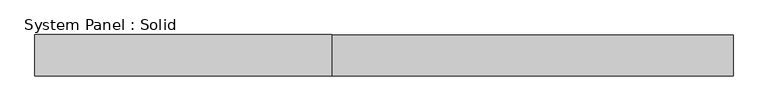
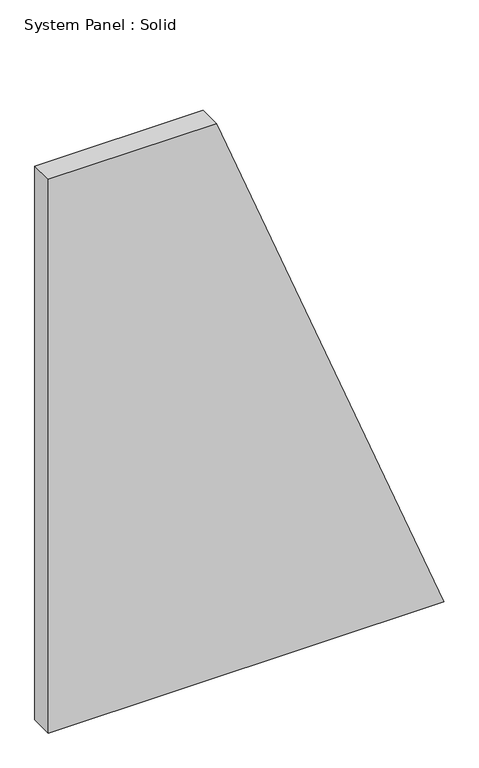
"""IFC4 building model written with IfcOpenShell, lengths in millimetres: plate geometry, System Panel : Solid."""

from ifc_helpers import new_model, si_unit, frame, origin, place, context, project, spatial, polyline, outline, extrude, source, transform, mapped, element, save


def system_panel_solid_fa413e90(model_context):
    return source(origin(), model_context, "Body", "SweptSolid", [
        extrude(outline(polyline([(0.0, -507.3356844), (0.0, 507.3356844), (1500.0, -76.2035422), (1500.0, -507.3356844), (0.0, -507.3356844)])), frame((0.0, -10.5, 0.0), z_axis=(0.0, 1.0, 0.0), x_axis=(0.0, 0.0, 1.0)), (0.0, 0.0, 1.0), 60.0),
    ])


if __name__ == "__main__":
    model = new_model("IFC4")
    model_context = context("Model", 3, world=origin())
    ifc_project = project(units=[si_unit("LENGTHUNIT", "METRE", prefix="MILLI")], contexts=[model_context])
    site = spatial("IfcSite", under=ifc_project)
    building = spatial("IfcBuilding", under=site)
    placement = place(None, origin())
    system_panel_solid_shape = system_panel_solid_fa413e90(model_context)
    element("IfcPlate", 1, ObjectType="System Panel : Solid", at=placement, inside=building, context=model_context, shape_type="MappedRepresentation", body=[
        mapped(system_panel_solid_shape, transform((0.0, 0.0, 0.0), x_axis=(1.0, 0.0, 0.0), y_axis=(0.0, 1.0, 0.0), z_axis=(0.0, 0.0, 1.0))),
    ])
    save(model, "model.ifc")
